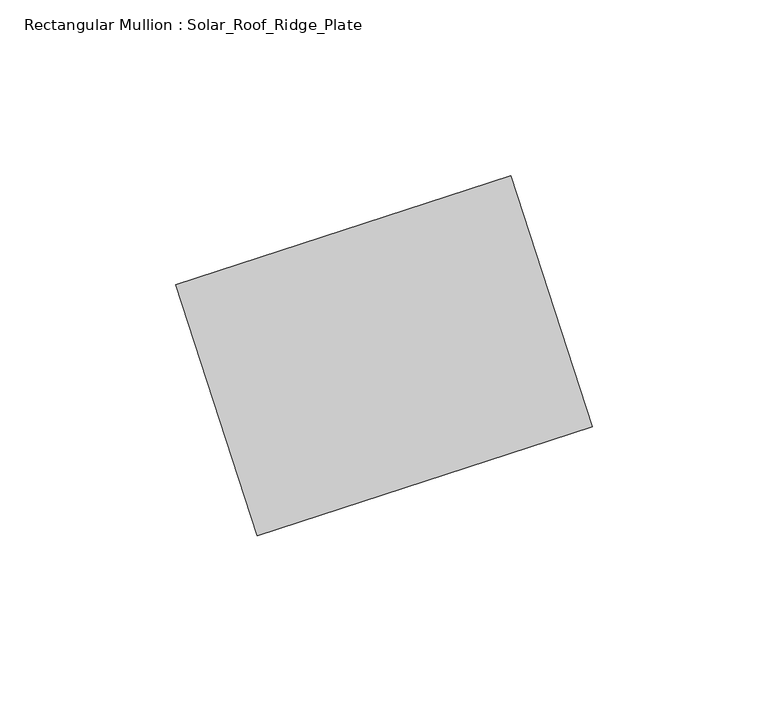
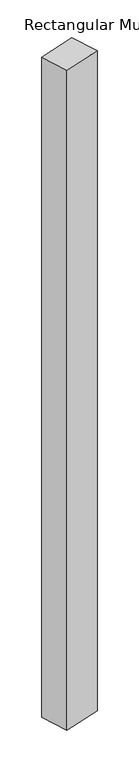
"""IFC4 building model written with IfcOpenShell, lengths in millimetres: member geometry, Rectangular Mullion : Solar_Roof_Ridge_Plate."""

import ifcopenshell
import ifcopenshell.guid

model = None  # the IFC model being written
_history = None  # IfcOwnerHistory: only IFC2X3 demands one
_inside = {}  # id of a spatial element -> (the spatial element, [elements in it])
_under = {}  # id of a project, library or spatial element -> (it, [spatial elements below it])
_declared = {}  # id of a project -> (the project, [libraries it declares])
_typed = {}  # id of a type object -> (the type object, [elements of that type])
_made_of = {}  # id of a material, layer set ... -> (it, [elements and type objects made of it])


def new_model(schema):
    """Start an empty IFC model of exactly this schema.

    Asked for "IFC4X3", IfcOpenShell would pick the latest addendum, in which some entities
    have other attributes; the version numbers below select the first issue.
    IFC2X3 requires an IfcOwnerHistory on every rooted entity: one is made here for all.
    """
    global model, _history
    if schema == "IFC4X3":
        model = ifcopenshell.file(schema_version=(4, 3, 0, 0))
    else:
        model = ifcopenshell.file(schema=schema)
    _inside.clear()
    _under.clear()
    _declared.clear()
    _typed.clear()
    _made_of.clear()
    _history = None
    if model.schema == "IFC2X3":
        org = make("IfcOrganization", Name="unknown")
        user = make(
            "IfcPersonAndOrganization",
            ThePerson=make("IfcPerson", FamilyName="unknown"),
            TheOrganization=org,
        )
        app = make(
            "IfcApplication",
            ApplicationDeveloper=org,
            Version="unknown",
            ApplicationFullName="unknown",
            ApplicationIdentifier="unknown",
        )
        _history = make(
            "IfcOwnerHistory",
            OwningUser=user,
            OwningApplication=app,
            ChangeAction="ADDED",
            CreationDate=0,
        )
    return model


def make(cls, **values):
    """One entity of the class cls with the attributes given. An attribute that is None is left unset."""
    return model.create_entity(
        cls, **{name: value for name, value in values.items() if value is not None}
    )


def rooted(cls, **values):
    """An entity with a GlobalId (a new one), such as an element, a storey or a relation."""
    return make(cls, GlobalId=ifcopenshell.guid.new(), OwnerHistory=_history, **values)


def si_unit(unit_type, name, prefix=None):
    """IfcSIUnit, for example si_unit("LENGTHUNIT", "METRE", prefix="MILLI")."""
    return make("IfcSIUnit", UnitType=unit_type, Prefix=prefix, Name=name)


def assignment(units):
    """IfcUnitAssignment: the units of a project."""
    return None if units is None else make("IfcUnitAssignment", Units=units)


def point(xyz):
    """IfcCartesianPoint."""
    return None if xyz is None else make("IfcCartesianPoint", Coordinates=xyz)


def direction(xyz):
    """IfcDirection."""
    return None if xyz is None else make("IfcDirection", DirectionRatios=xyz)


def frame(location, z_axis=None, x_axis=None):
    """IfcAxis2Placement3D, a coordinate frame: its origin and axes. An axis left out is left unset."""
    return make(
        "IfcAxis2Placement3D",
        Location=point(location),
        Axis=direction(z_axis),
        RefDirection=direction(x_axis),
    )


def origin():
    """The frame at (0, 0, 0) with its axes left unset."""
    return frame((0.0, 0.0, 0.0))


def place(relative_to, where):
    """IfcLocalPlacement: puts the frame where relative to a parent placement (None: the world)."""
    return make(
        "IfcLocalPlacement", PlacementRelTo=relative_to, RelativePlacement=where
    )


def context(
    kind, dimensions, precision=None, world=None, true_north=None, identifier=None
):
    """IfcGeometricRepresentationContext, for example the 3D "Model" context."""
    return make(
        "IfcGeometricRepresentationContext",
        ContextIdentifier=identifier,
        ContextType=kind,
        CoordinateSpaceDimension=dimensions,
        Precision=precision,
        WorldCoordinateSystem=world,
        TrueNorth=true_north,
    )


def project(units=None, contexts=None):
    """IfcProject with its units and contexts."""
    return rooted(
        "IfcProject",
        Name="project",
        RepresentationContexts=contexts,
        UnitsInContext=assignment(units),
    )


def spatial(cls, under=None, at=None, **own):
    """A site, building, storey or space (cls), placed at a placement, below another one or the project."""
    s = rooted(cls, ObjectPlacement=at, **own)
    if under is not None:
        _under.setdefault(under.id(), (under, []))[1].append(s)
    return s


def polyline(points):
    """IfcPolyline through the points."""
    return make("IfcPolyline", Points=[point(p) for p in points])


def outline(outer, holes=None, kind="AREA"):
    """IfcArbitraryClosedProfileDef: a profile drawn as a closed curve; with holes, ...WithVoids."""
    if holes is None:
        return make("IfcArbitraryClosedProfileDef", ProfileType=kind, OuterCurve=outer)
    return make(
        "IfcArbitraryProfileDefWithVoids",
        ProfileType=kind,
        OuterCurve=outer,
        InnerCurves=holes,
    )


def extrude(swept, where, along, depth):
    """IfcExtrudedAreaSolid: the profile swept, set in the frame where, extruded along a direction by depth."""
    return make(
        "IfcExtrudedAreaSolid",
        SweptArea=swept,
        Position=where,
        ExtrudedDirection=direction(along),
        Depth=depth,
    )


def shape(context_of_items, identifier, shape_type, items):
    """IfcShapeRepresentation: the items that make up one representation, for example the "Body"."""
    return make(
        "IfcShapeRepresentation",
        ContextOfItems=context_of_items,
        RepresentationIdentifier=identifier,
        RepresentationType=shape_type,
        Items=items,
    )


def source(mapping_origin, context_of_items, identifier, shape_type, items):
    """IfcRepresentationMap: a shape defined once, which mapped items show again and again."""
    return make(
        "IfcRepresentationMap",
        MappingOrigin=mapping_origin,
        MappedRepresentation=shape(context_of_items, identifier, shape_type, items),
    )


def transform(
    local_origin,
    x_axis=None,
    y_axis=None,
    z_axis=None,
    scale=None,
    scale2=None,
    scale3=None,
    uniform=True,
):
    """IfcCartesianTransformationOperator3D, or its non-uniform kind. x_axis, y_axis, z_axis: its Axis1, 2, 3."""
    if uniform:
        return make(
            "IfcCartesianTransformationOperator3D",
            Axis1=direction(x_axis),
            Axis2=direction(y_axis),
            LocalOrigin=point(local_origin),
            Scale=scale,
            Axis3=direction(z_axis),
        )
    return make(
        "IfcCartesianTransformationOperator3DnonUniform",
        Axis1=direction(x_axis),
        Axis2=direction(y_axis),
        LocalOrigin=point(local_origin),
        Scale=scale,
        Axis3=direction(z_axis),
        Scale2=scale2,
        Scale3=scale3,
    )


def mapped(mapping_source, mapping_target):
    """IfcMappedItem: shows the shape of a source again, moved by a transform."""
    return make(
        "IfcMappedItem", MappingSource=mapping_source, MappingTarget=mapping_target
    )


def made_of(thing, what):
    """Note that an element or type object is made of a material, layer set ...; save() writes the relation."""
    if what is not None:
        _made_of.setdefault(what.id(), (what, []))[1].append(thing)
    return thing


def element(
    cls,
    number,
    at=None,
    inside=None,
    cuts=None,
    type_object=None,
    material=None,
    context=None,
    identifier="Body",
    shape_type=None,
    held_by="IfcProductDefinitionShape",
    body=None,
    shapes=None,
    **own,
):
    """One element of the class cls, such as IfcWall. Its Tag is "e" and its number.

    at: its placement. inside: the storey or other place that contains it. cuts: it is an
    opening in that element (IfcRelVoidsElement). A single representation is given by context,
    identifier, shape_type and body (its items); several are given by shapes. held_by: the class
    of the entity that holds the representations. save() writes the other relations.
    """
    e = rooted(cls, Tag="e%d" % number, ObjectPlacement=at, **own)
    if body is not None:
        shapes = [shape(context, identifier, shape_type, body)]
    if shapes is not None:
        e.Representation = make(held_by, Representations=shapes)
    if inside is not None:
        _inside.setdefault(inside.id(), (inside, []))[1].append(e)
    if cuts is not None:
        rooted(
            "IfcRelVoidsElement", RelatingBuildingElement=cuts, RelatedOpeningElement=e
        )
    if type_object is not None:
        _typed.setdefault(type_object.id(), (type_object, []))[1].append(e)
    return made_of(e, material)


def aggregate(whole, parts):
    """IfcRelAggregates: a whole, such as a stair, and the parts it consists of."""
    return rooted("IfcRelAggregates", RelatingObject=whole, RelatedObjects=parts)


def save(model, path):
    """Write the relations noted so far, then the file.

    IfcRelAggregates (storeys below a building ...), IfcRelContainedInSpatialStructure (elements
    in a storey), IfcRelDefinesByType, IfcRelAssociatesMaterial and IfcRelDeclares: one each for
    every whole, place, type object, material and project.
    """
    for whole, parts in _under.values():
        aggregate(whole, parts)
    for where, things in _inside.values():
        rooted(
            "IfcRelContainedInSpatialStructure",
            RelatedElements=things,
            RelatingStructure=where,
        )
    for kind, things in _typed.values():
        rooted("IfcRelDefinesByType", RelatedObjects=things, RelatingType=kind)
    for what, things in _made_of.values():
        rooted("IfcRelAssociatesMaterial", RelatedObjects=things, RelatingMaterial=what)
    for by, libraries in _declared.values():
        rooted("IfcRelDeclares", RelatingContext=by, RelatedDefinitions=libraries)
    model.write(path)


def rectangular_mullion_solar_roof_ridge_plate_87f584dd(model_context):
    return source(origin(), model_context, "Body", "SweptSolid", [
        extrude(outline(polyline([(30.2782507, -8.3255632), (-64.827401, -39.2272626), (-88.0036755, 32.1019761), (7.1019761, 63.0036755), (30.2782507, -8.3255632)])), frame((0.0, 0.0, -1791.0), z_axis=(0.0, 0.0, 1.0), x_axis=(1.0, 0.0, 0.0)), (0.0, 0.0, 1.0), 1791.0),
    ])


if __name__ == "__main__":
    model = new_model("IFC4")
    model_context = context("Model", 3, world=origin())
    ifc_project = project(units=[si_unit("LENGTHUNIT", "METRE", prefix="MILLI")], contexts=[model_context])
    site = spatial("IfcSite", under=ifc_project)
    building = spatial("IfcBuilding", under=site)
    placement = place(None, origin())
    rectangular_mullion_solar_roof_ridge_plate_shape = rectangular_mullion_solar_roof_ridge_plate_87f584dd(model_context)
    element("IfcMember", 1, ObjectType="Rectangular Mullion : Solar_Roof_Ridge_Plate", at=placement, inside=building, context=model_context, shape_type="MappedRepresentation", body=[
        mapped(rectangular_mullion_solar_roof_ridge_plate_shape, transform((0.0, 0.0, 0.0), x_axis=(1.0, 0.0, 0.0), y_axis=(0.0, 1.0, 0.0), z_axis=(0.0, 0.0, 1.0))),
    ])
    save(model, "model.ifc")
